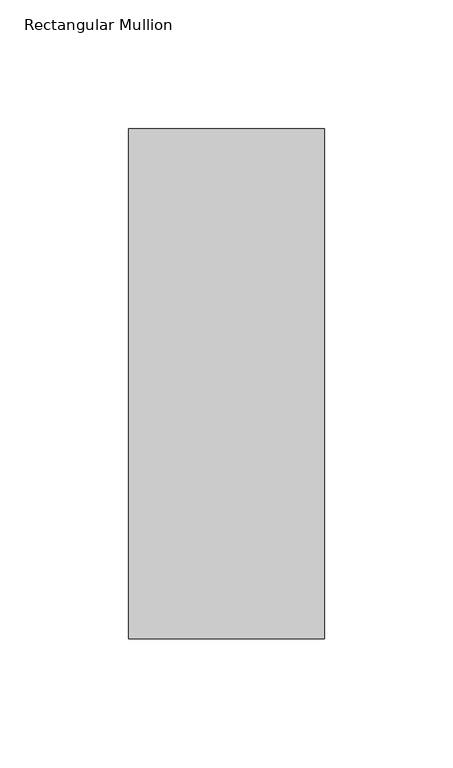
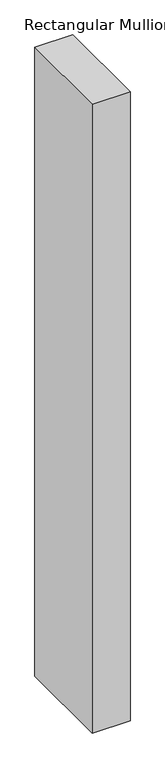
"""IFC4 building model written with IfcOpenShell, lengths in millimetres: member geometry, Rectangular Mullion."""

from ifc_helpers import new_model, si_unit, frame, origin, place, context, project, spatial, polyline, outline, extrude, source, transform, mapped, element, save


def rectangular_mullion_fb94ec89(model_context):
    return source(origin(), model_context, "Body", "SweptSolid", [
        extrude(outline(polyline([(38.1, -156.36875), (-38.1, -156.36875), (-38.1, 42.06875), (38.1, 42.06875), (38.1, -156.36875)])), frame((0.0, 0.0, -1333.1421827), z_axis=(0.0, 0.0, 1.0), x_axis=(1.0, 0.0, 0.0)), (0.0, 0.0, 1.0), 1333.1421827),
    ])


if __name__ == "__main__":
    model = new_model("IFC4")
    model_context = context("Model", 3, world=origin())
    ifc_project = project(units=[si_unit("LENGTHUNIT", "METRE", prefix="MILLI")], contexts=[model_context])
    site = spatial("IfcSite", under=ifc_project)
    building = spatial("IfcBuilding", under=site)
    placement = place(None, origin())
    rectangular_mullion_shape = rectangular_mullion_fb94ec89(model_context)
    element("IfcMember", 1, ObjectType="Rectangular Mullion", at=placement, inside=building, context=model_context, shape_type="MappedRepresentation", body=[
        mapped(rectangular_mullion_shape, transform((0.0, 0.0, 0.0), x_axis=(1.0, 0.0, 0.0), y_axis=(0.0, 1.0, 0.0), z_axis=(0.0, 0.0, 1.0))),
    ])
    save(model, "model.ifc")
